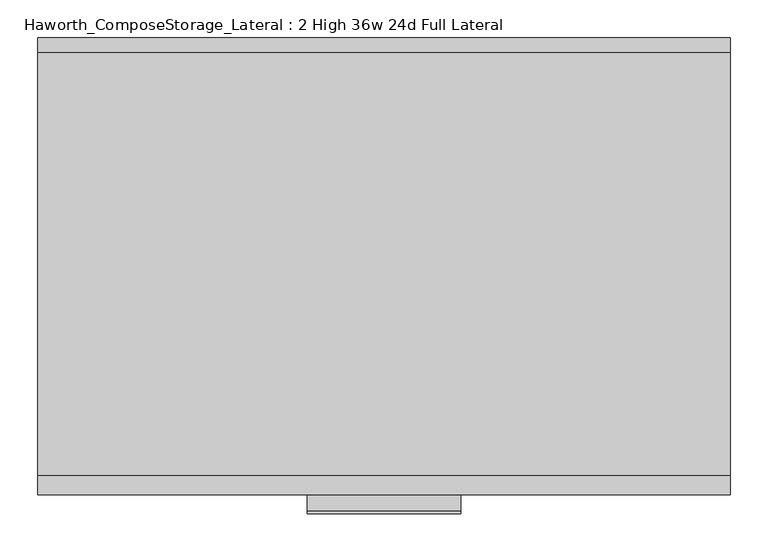
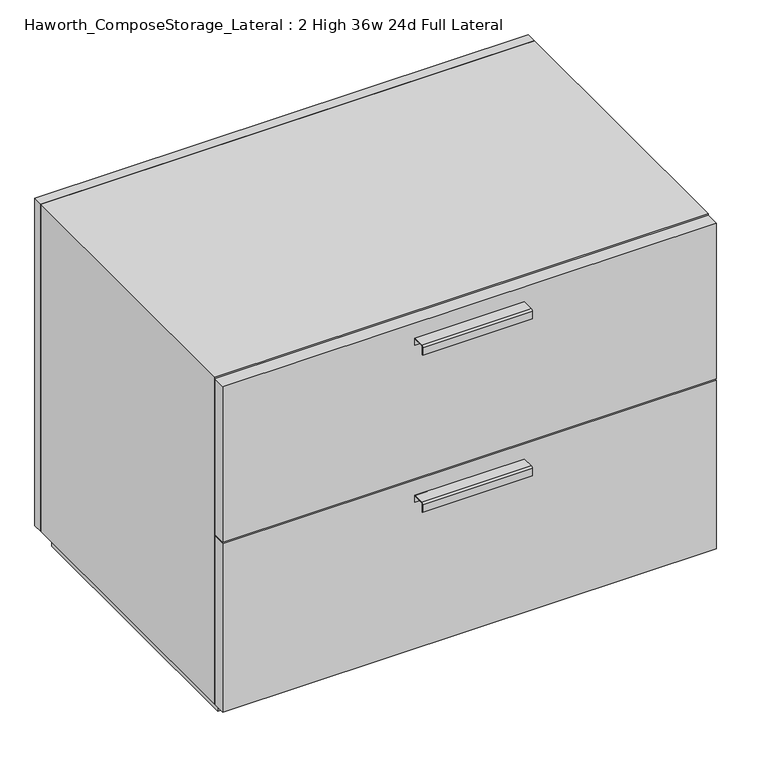
"""IFC4 building model written with IfcOpenShell, lengths in millimetres: furniture geometry, Haworth_ComposeStorage_Lateral : 2 High 36w 24d Full Lateral."""

from ifc_helpers import new_model, si_unit, point, frame, frame_2d, origin, origin_with_axes, place, context, project, spatial, polyline, circle_curve, trimmed, segment, composite_curve, outline, extrude, source, transform, mapped, element, save


def haworth_composestorage_lateral_2_high_36w_24d_full_lateral_fb6e8c80(model_context):
    return source(origin(), model_context, "Body", "SweptSolid", [
        extrude(outline(composite_curve([segment(polyline([(-276.2250242, 633.9919215), (-254.0, 633.9919215), (-254.0, 620.5299525), (-254.7937742, 620.5299525), (-254.7937742, 633.1982199), (-276.2250242, 633.1982199)]), True, "CONTINUOUS"), segment(trimmed(circle_curve(frame_2d((-276.2250242, 630.8142808)), 2.3839392), [point((-276.2250242, 633.1982199))], [point((-278.6089634, 630.8142808))], True, "CARTESIAN"), True, "CONTINUOUS"), segment(polyline([(-278.6089634, 630.8142808), (-278.6089634, 616.2119021), (-279.3999758, 616.2119021), (-279.3999758, 630.8169699)]), True, "CONTINUOUS"), segment(trimmed(circle_curve(frame_2d((-276.2250242, 630.8169699)), 3.1749516), [point((-279.3999758, 630.8169699))], [point((-276.2250242, 633.9919215))], False, "CARTESIAN"), True, "CONTINUOUS")], self_intersect=False)), frame((-101.5861094, 0.0, 0.0), z_axis=(1.0, 0.0, 0.0), x_axis=(0.0, 1.0, 0.0)), (0.0, 0.0, 1.0), 203.2),
        extrude(outline(polyline([(457.2138906, -228.6), (457.2138906, -254.0), (-457.1861094, -254.0), (-457.1861094, -228.6), (457.2138906, -228.6)])), frame((0.0, 0.0, 358.775), z_axis=(0.0, 0.0, 1.0), x_axis=(1.0, 0.0, 0.0)), (0.0, 0.0, 1.0), 304.8),
        extrude(outline(composite_curve([segment(polyline([(-276.2250242, 326.0169215), (-254.0, 326.0169215), (-254.0, 312.5549525), (-254.7937742, 312.5549525), (-254.7937742, 325.2232199), (-276.2250242, 325.2232199)]), True, "CONTINUOUS"), segment(trimmed(circle_curve(frame_2d((-276.2250242, 322.8392808)), 2.3839392), [point((-276.2250242, 325.2232199))], [point((-278.6089634, 322.8392808))], True, "CARTESIAN"), True, "CONTINUOUS"), segment(polyline([(-278.6089634, 322.8392808), (-278.6089634, 308.2369021), (-279.3999758, 308.2369021), (-279.3999758, 322.8419699)]), True, "CONTINUOUS"), segment(trimmed(circle_curve(frame_2d((-276.2250242, 322.8419699)), 3.1749516), [point((-279.3999758, 322.8419699))], [point((-276.2250242, 326.0169215))], False, "CARTESIAN"), True, "CONTINUOUS")], self_intersect=False)), frame((-101.5861094, 0.0, 0.0), z_axis=(1.0, 0.0, 0.0), x_axis=(0.0, 1.0, 0.0)), (0.0, 0.0, 1.0), 203.2),
        extrude(outline(polyline([(457.2138906, -228.6), (457.2138906, -254.0), (-457.1861094, -254.0), (-457.1861094, -228.6), (457.2138906, -228.6)])), frame((0.0, 0.0, 25.4), z_axis=(0.0, 0.0, 1.0), x_axis=(1.0, 0.0, 0.0)), (0.0, 0.0, 1.0), 330.2),
        extrude(outline(polyline([(457.2138906, 330.2), (-457.1861094, 330.2), (-457.1861094, 349.25), (457.2138906, 349.25), (457.2138906, 330.2)])), frame((0.0, 0.0, 25.4), z_axis=(0.0, 0.0, 1.0), x_axis=(1.0, 0.0, 0.0)), (0.0, 0.0, 1.0), 641.35),
        extrude(outline(polyline([(25.4, -457.1861094), (25.4, 457.2), (666.75, 457.2), (666.75, -457.1861094), (25.4, -457.1861094)]), holes=[polyline([(44.45, -438.1361094), (647.7, -438.1361094), (647.7, 438.1361094), (44.45, 438.1361094), (44.45, -438.1361094)])]), frame((0.0, -228.6, 0.0), z_axis=(0.0, 1.0, 0.0), x_axis=(0.0, 0.0, 1.0)), (0.0, 0.0, 1.0), 558.8),
        extrude(outline(polyline([(-438.1291641, 295.275), (-438.1291641, 304.8), (438.1569453, 304.8), (438.1569453, 295.275), (-438.1291641, 295.275)])), frame((0.0, 0.0, 44.45), z_axis=(0.0, 0.0, 1.0), x_axis=(1.0, 0.0, 0.0)), (0.0, 0.0, 1.0), 603.25),
        extrude(outline(polyline([(444.5138906, -215.9), (-444.4861094, -215.9), (-444.4861094, 317.5), (444.5138906, 317.5), (444.5138906, -215.9)])), origin_with_axes(), (0.0, 0.0, 1.0), 25.4),
    ])


if __name__ == "__main__":
    model = new_model("IFC4")
    model_context = context("Model", 3, world=origin())
    ifc_project = project(units=[si_unit("LENGTHUNIT", "METRE", prefix="MILLI")], contexts=[model_context])
    site = spatial("IfcSite", under=ifc_project)
    building = spatial("IfcBuilding", under=site)
    placement = place(None, origin())
    haworth_composestorage_lateral_2_high_36w_24d_full_lateral_shape = haworth_composestorage_lateral_2_high_36w_24d_full_lateral_fb6e8c80(model_context)
    element("IfcFurniture", 1, ObjectType="Haworth_ComposeStorage_Lateral : 2 High 36w 24d Full Lateral", at=placement, inside=building, context=model_context, shape_type="MappedRepresentation", body=[
        mapped(haworth_composestorage_lateral_2_high_36w_24d_full_lateral_shape, transform((0.0, 0.0, 0.0), x_axis=(1.0, 0.0, 0.0), y_axis=(0.0, 1.0, 0.0), z_axis=(0.0, 0.0, 1.0))),
    ])
    save(model, "model.ifc")
